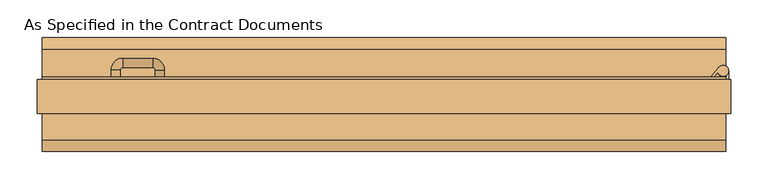
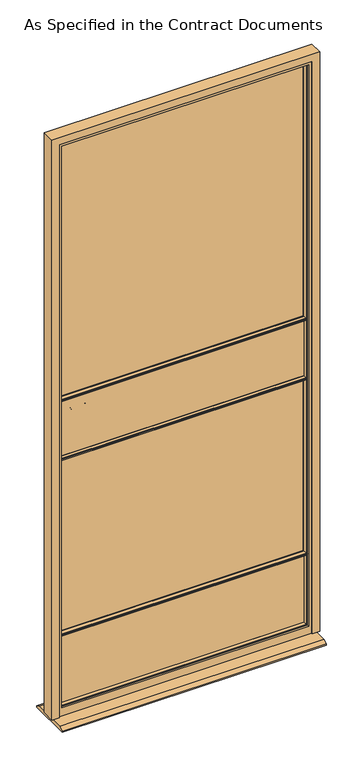
"""IFC4 building model written with IfcOpenShell, lengths in millimetres: door geometry, As Specified in the Contract Documents."""

from ifc_helpers import new_model, si_unit, point, frame, frame_2d, origin, place, context, project, spatial, polyline, circle_curve, ellipse_curve, trimmed, segment, composite_curve, outline, extrude, faceted_brep, source, transform, mapped, element, save
from ifc_brep_helpers import plane_surface, cylinder_surface, revolved_surface, advanced_brep


def as_specified_in_the_contract_documents_b9f10c93(model_context):
    return source(origin(), model_context, "Body", "SolidModel", [
        extrude(outline(composite_curve([segment(trimmed(circle_curve(frame_2d((433.9669375, 43.9744777)), 6.35), [point((440.3169375, 43.9744777))], [point((427.6169375, 43.9744777))], False, "CARTESIAN"), True, "CONTINUOUS"), segment(trimmed(circle_curve(frame_2d((433.9669375, 43.9744777)), 6.35), [point((427.6169375, 43.9744777))], [point((440.3169375, 43.9744777))], False, "CARTESIAN"), True, "CONTINUOUS")], self_intersect=False)), frame((0.0, 0.0, 1974.4305689), z_axis=(0.0, 0.0, 1.0), x_axis=(1.0, 0.0, 0.0)), (0.0, 0.0, 1.0), 1.6100561),
        extrude(outline(composite_curve([segment(polyline([(441.3749068, 32.5375), (438.1999068, 32.5375), (438.1999068, 37.8950057)]), True, "CONTINUOUS"), segment(trimmed(circle_curve(frame_2d((433.9669375, 43.9744777)), 7.4079693), [point((438.1999068, 37.8950057))], [point((441.3749068, 43.9744777))], False, "CARTESIAN"), True, "CONTINUOUS"), segment(polyline([(441.3749068, 43.9744777), (441.3749068, 32.5375)]), True, "CONTINUOUS")], self_intersect=False)), frame((0.0, 0.0, 1962.9211939), z_axis=(0.0, 0.0, 1.0), x_axis=(1.0, 0.0, 0.0)), (0.0, 0.0, 1.0), 11.509375),
        extrude(outline(composite_curve([segment(polyline([(417.7442445, 35.7125), (428.2098641, 48.6364639)]), True, "CONTINUOUS"), segment(trimmed(circle_curve(frame_2d((433.9669375, 43.9744777)), 7.4079693), [point((428.2098641, 48.6364639))], [point((426.8513668, 41.9137345))], False, "CARTESIAN"), True, "CONTINUOUS"), segment(polyline([(426.8513668, 41.9137345), (421.8297061, 35.7125), (417.7442445, 35.7125)]), True, "CONTINUOUS")], self_intersect=False)), frame((0.0, 0.0, 1976.040625), z_axis=(0.0, 0.0, 1.0), x_axis=(1.0, 0.0, 0.0)), (0.0, 0.0, 1.0), 11.509375),
        extrude(outline(composite_curve([segment(trimmed(circle_curve(frame_2d((433.9669375, 43.9744777)), 6.35), [point((440.3169375, 43.9744777))], [point((427.6169375, 43.9744777))], False, "CARTESIAN"), True, "CONTINUOUS"), segment(trimmed(circle_curve(frame_2d((433.9669375, 43.9744777)), 6.35), [point((427.6169375, 43.9744777))], [point((440.3169375, 43.9744777))], False, "CARTESIAN"), True, "CONTINUOUS")], self_intersect=False)), frame((0.0, 0.0, 1074.7375), z_axis=(0.0, 0.0, 1.0), x_axis=(1.0, 0.0, 0.0)), (0.0, 0.0, 1.0), 1.6100561),
        extrude(outline(composite_curve([segment(polyline([(441.3749068, 32.5375), (438.1999068, 32.5375), (438.1999068, 37.8950057)]), True, "CONTINUOUS"), segment(trimmed(circle_curve(frame_2d((433.9669375, 43.9744777)), 7.4079693), [point((438.1999068, 37.8950057))], [point((441.3749068, 43.9744777))], False, "CARTESIAN"), True, "CONTINUOUS"), segment(polyline([(441.3749068, 43.9744777), (441.3749068, 32.5375)]), True, "CONTINUOUS")], self_intersect=False)), frame((0.0, 0.0, 1063.228125), z_axis=(0.0, 0.0, 1.0), x_axis=(1.0, 0.0, 0.0)), (0.0, 0.0, 1.0), 11.509375),
        extrude(outline(composite_curve([segment(polyline([(417.7442445, 35.7125), (428.2098641, 48.6364639)]), True, "CONTINUOUS"), segment(trimmed(circle_curve(frame_2d((433.9669375, 43.9744777)), 7.4079693), [point((428.2098641, 48.6364639))], [point((426.8513668, 41.9137345))], False, "CARTESIAN"), True, "CONTINUOUS"), segment(polyline([(426.8513668, 41.9137345), (421.8297061, 35.7125), (417.7442445, 35.7125)]), True, "CONTINUOUS")], self_intersect=False)), frame((0.0, 0.0, 1076.3475561), z_axis=(0.0, 0.0, 1.0), x_axis=(1.0, 0.0, 0.0)), (0.0, 0.0, 1.0), 11.509375),
        extrude(outline(composite_curve([segment(trimmed(circle_curve(frame_2d((433.9669375, 43.9744777)), 6.35), [point((440.3169375, 43.9744777))], [point((427.6169375, 43.9744777))], False, "CARTESIAN"), True, "CONTINUOUS"), segment(trimmed(circle_curve(frame_2d((433.9669375, 43.9744777)), 6.35), [point((427.6169375, 43.9744777))], [point((440.3169375, 43.9744777))], False, "CARTESIAN"), True, "CONTINUOUS")], self_intersect=False)), frame((0.0, 0.0, 139.2805689), z_axis=(0.0, 0.0, 1.0), x_axis=(1.0, 0.0, 0.0)), (0.0, 0.0, 1.0), 1.6100561),
        extrude(outline(composite_curve([segment(polyline([(441.3749068, 32.5375), (438.1999068, 32.5375), (438.1999068, 37.8950057)]), True, "CONTINUOUS"), segment(trimmed(circle_curve(frame_2d((433.9669375, 43.9744777)), 7.4079693), [point((438.1999068, 37.8950057))], [point((441.3749068, 43.9744777))], False, "CARTESIAN"), True, "CONTINUOUS"), segment(polyline([(441.3749068, 43.9744777), (441.3749068, 32.5375)]), True, "CONTINUOUS")], self_intersect=False)), frame((0.0, 0.0, 127.7711939), z_axis=(0.0, 0.0, 1.0), x_axis=(1.0, 0.0, 0.0)), (0.0, 0.0, 1.0), 11.509375),
        extrude(outline(composite_curve([segment(polyline([(417.7442445, 35.7125), (428.2098641, 48.6364639)]), True, "CONTINUOUS"), segment(trimmed(circle_curve(frame_2d((433.9669375, 43.9744777)), 7.4079693), [point((428.2098641, 48.6364639))], [point((426.8513668, 41.9137345))], False, "CARTESIAN"), True, "CONTINUOUS"), segment(polyline([(426.8513668, 41.9137345), (421.8297061, 35.7125), (417.7442445, 35.7125)]), True, "CONTINUOUS")], self_intersect=False)), frame((0.0, 0.0, 140.890625), z_axis=(0.0, 0.0, 1.0), x_axis=(1.0, 0.0, 0.0)), (0.0, 0.0, 1.0), 11.509375),
        advanced_brep(
        [(-384.33375, 25.39375, 1089.025), (-372.14175, 25.39375, 1089.025), (-384.33375, 45.1961051, 1089.025), (-372.14175, 45.1961051, 1089.025), (-368.71275, 48.6251051, 1089.025), (-368.71275, 60.8171051, 1089.025), (-328.7559462, 60.8171051, 1089.025), (-328.7559462, 48.6251051, 1089.025), (-325.3269462, 45.1961051, 1089.025), (-313.1349462, 45.1961051, 1089.025), (-313.1349462, 29.4584167, 1089.025), (-325.3269462, 29.4584167, 1089.025)],
        [
            (0, 1, circle_curve(frame((-378.23775, 25.39375, 1089.025), z_axis=(0.0, -1.0, 0.0), x_axis=(1.0, 0.0, 0.0)), 6.096)),
            (1, 0, circle_curve(frame((-378.23775, 25.39375, 1089.025), z_axis=(0.0, -1.0, 0.0), x_axis=(1.0, 0.0, 0.0)), 6.096)),
            (0, 2),
            (2, 3, circle_curve(frame((-378.23775, 45.1961051, 1089.025), z_axis=(0.0, -1.0, 0.0), x_axis=(1.0, 0.0, 0.0)), 6.096)),
            (3, 1),
            (3, 2, circle_curve(frame((-378.23775, 45.1961051, 1089.025), z_axis=(0.0, -1.0, 0.0), x_axis=(1.0, 0.0, 0.0)), 6.096)),
            (4, 3, circle_curve(frame((-368.71275, 45.1961051, 1089.025), z_axis=(0.0, 0.0, 1.0), x_axis=(-1.0, 0.0, 0.0)), 3.429)),
            (2, 5, circle_curve(frame((-368.71275, 45.1961051, 1089.025), z_axis=(0.0, 0.0, -1.0), x_axis=(-1.0, 0.0, 0.0)), 15.621)),
            (5, 4, circle_curve(frame((-368.71275, 54.7211051, 1089.025), z_axis=(-1.0, 0.0, 0.0), x_axis=(0.0, -1.0, 0.0)), 6.096)),
            (4, 5, circle_curve(frame((-368.71275, 54.7211051, 1089.025), z_axis=(-1.0, 0.0, 0.0), x_axis=(0.0, -1.0, 0.0)), 6.096)),
            (5, 6),
            (6, 7, circle_curve(frame((-328.7559462, 54.7211051, 1089.025), z_axis=(-1.0, 0.0, 0.0), x_axis=(0.0, -1.0, 0.0)), 6.096)),
            (7, 4),
            (7, 6, circle_curve(frame((-328.7559462, 54.7211051, 1089.025), z_axis=(-1.0, 0.0, 0.0), x_axis=(0.0, -1.0, 0.0)), 6.096)),
            (8, 7, circle_curve(frame((-328.7559462, 45.1961051, 1089.025), z_axis=(0.0, 0.0, 1.0), x_axis=(0.0, 1.0, 0.0)), 3.429)),
            (6, 9, circle_curve(frame((-328.7559462, 45.1961051, 1089.025), z_axis=(0.0, 0.0, -1.0), x_axis=(0.0, 1.0, 0.0)), 15.621)),
            (9, 8, circle_curve(frame((-319.2309462, 45.1961051, 1089.025), z_axis=(0.0, 1.0, 0.0), x_axis=(-1.0, 0.0, 0.0)), 6.096)),
            (8, 9, circle_curve(frame((-319.2309462, 45.1961051, 1089.025), z_axis=(0.0, 1.0, 0.0), x_axis=(-1.0, 0.0, 0.0)), 6.096)),
            (10, 11, circle_curve(frame((-319.2309462, 29.4584167, 1089.025), z_axis=(0.0, -1.0, 0.0), x_axis=(-1.0, 0.0, 0.0)), 6.096)),
            (11, 10, circle_curve(frame((-319.2309462, 29.4584167, 1089.025), z_axis=(0.0, -1.0, 0.0), x_axis=(-1.0, 0.0, 0.0)), 6.096)),
            (9, 10),
            (11, 8),
        ],
        [
            plane_surface(frame((-378.23775, 25.39375, 1089.025), z_axis=(0.0, -1.0, 0.0), x_axis=(0.0, 0.0, -1.0))),
            cylinder_surface(frame((-378.23775, 25.39375, 1089.025), z_axis=(0.0, -1.0, 0.0), x_axis=(1.0, 0.0, 0.0)), 6.096),
            revolved_surface(trimmed(ellipse_curve(frame((-378.23775, 45.1961051, 1089.025), z_axis=(0.0, -1.0, 0.0), x_axis=(1.0, 0.0, 0.0)), 6.096, 6.096), [point((-384.33375, 45.1961051, 1089.025))], [point((-372.14175, 45.1961051, 1089.025))], True, "CARTESIAN"), (-368.71275, 45.1961051, 1089.025), (0.0, 0.0, -1.0)),
            revolved_surface(trimmed(ellipse_curve(frame((-378.23775, 45.1961051, 1089.025), z_axis=(0.0, -1.0, 0.0), x_axis=(1.0, 0.0, 0.0)), 6.096, 6.096), [point((-372.14175, 45.1961051, 1089.025))], [point((-384.33375, 45.1961051, 1089.025))], True, "CARTESIAN"), (-368.71275, 45.1961051, 1089.025), (0.0, 0.0, -1.0)),
            cylinder_surface(frame((-368.71275, 54.7211051, 1089.025), z_axis=(-1.0, 0.0, 0.0), x_axis=(0.0, -1.0, 0.0)), 6.096),
            revolved_surface(trimmed(ellipse_curve(frame((-328.7559462, 54.7211051, 1089.025), z_axis=(-1.0, 0.0, 0.0), x_axis=(0.0, -1.0, 0.0)), 6.096, 6.096), [point((-328.7559462, 60.8171051, 1089.025))], [point((-328.7559462, 48.6251051, 1089.025))], True, "CARTESIAN"), (-328.7559462, 45.1961051, 1089.025), (0.0, 0.0, -1.0)),
            revolved_surface(trimmed(ellipse_curve(frame((-328.7559462, 54.7211051, 1089.025), z_axis=(-1.0, 0.0, 0.0), x_axis=(0.0, -1.0, 0.0)), 6.096, 6.096), [point((-328.7559462, 48.6251051, 1089.025))], [point((-328.7559462, 60.8171051, 1089.025))], True, "CARTESIAN"), (-328.7559462, 45.1961051, 1089.025), (0.0, 0.0, -1.0)),
            plane_surface(frame((-319.2309462, 29.4584167, 1089.025), z_axis=(0.0, -1.0, 0.0), x_axis=(0.0, 0.0, -1.0))),
            cylinder_surface(frame((-319.2309462, 45.1961051, 1089.025), z_axis=(0.0, 1.0, 0.0), x_axis=(-1.0, 0.0, 0.0)), 6.096),
        ],
        [
            (0, [[1, 2]]),
            (1, [[-1, 3, 4, 5]]),
            (1, [[-2, -5, 6, -3]]),
            (2, [[7, -4, 8, 9]]),
            (3, [[-8, -6, -7, 10]]),
            (4, [[-9, 11, 12, 13]]),
            (4, [[-10, -13, 14, -11]]),
            (5, [[15, -12, 16, 17]]),
            (6, [[-16, -14, -15, 18]]),
            (7, [[19, 20]]),
            (8, [[-17, 21, -20, 22]]),
            (8, [[-18, -22, -19, -21]]),
        ],
    ),
        extrude(outline(composite_curve([segment(trimmed(circle_curve(frame_2d((1089.025, -378.23775)), 25.4), [point((1089.025, -352.83775))], [point((1089.025, -403.63775))], False, "CARTESIAN"), True, "CONTINUOUS"), segment(trimmed(circle_curve(frame_2d((1089.025, -378.23775)), 25.4), [point((1089.025, -403.63775))], [point((1089.025, -352.83775))], False, "CARTESIAN"), True, "CONTINUOUS")], self_intersect=False)), frame((0.0, 19.04375, 0.0), z_axis=(0.0, 1.0, 0.0), x_axis=(0.0, 0.0, 1.0)), (0.0, 0.0, 1.0), 6.35),
        extrude(outline(composite_curve([segment(trimmed(circle_curve(frame_2d((1021.6417023, -378.23775)), 19.05), [point((1021.6417023, -359.18775))], [point((1021.6417023, -397.28775))], False, "CARTESIAN"), True, "CONTINUOUS"), segment(trimmed(circle_curve(frame_2d((1021.6417023, -378.23775)), 19.05), [point((1021.6417023, -397.28775))], [point((1021.6417023, -359.18775))], False, "CARTESIAN"), True, "CONTINUOUS")], self_intersect=False)), frame((0.0, 19.04375, 0.0), z_axis=(0.0, 1.0, 0.0), x_axis=(0.0, 0.0, 1.0)), (0.0, 0.0, 1.0), 6.35),
        extrude(outline(polyline([(-1.920998, 946.5510581), (-1.920998, 948.2061382), (-4.6254064, 948.2061382), (-4.6254064, 952.0313618), (-1.920998, 952.0313618), (-1.920998, 953.6864419), (6.1287049, 957.2625), (19.2587951, 957.2625), (27.308498, 953.6864419), (27.308498, 952.0313618), (30.0129064, 952.0313618), (30.0129064, 948.2061382), (27.308498, 948.2061382), (27.308498, 946.5510581), (19.2587951, 942.975), (6.1287049, 942.975), (-1.920998, 946.5510581)])), frame((-446.50025, 0.0, 0.0), z_axis=(1.0, 0.0, 0.0), x_axis=(0.0, 1.0, 0.0)), (0.0, 0.0, 1.0), 854.075),
        extrude(outline(polyline([(-1.920998, 1164.0385581), (-1.920998, 1165.6936382), (-4.6254064, 1165.6936382), (-4.6254064, 1169.5188618), (-1.920998, 1169.5188618), (-1.920998, 1171.1739419), (6.1287049, 1174.75), (19.2587951, 1174.75), (27.308498, 1171.1739419), (27.308498, 1169.5188618), (30.0129064, 1169.5188618), (30.0129064, 1165.6936382), (27.308498, 1165.6936382), (27.308498, 1164.0385581), (19.2587951, 1160.4625), (6.1287049, 1160.4625), (-1.920998, 1164.0385581)])), frame((-446.50025, 0.0, 0.0), z_axis=(1.0, 0.0, 0.0), x_axis=(0.0, 1.0, 0.0)), (0.0, 0.0, 1.0), 854.075),
        extrude(outline(polyline([(-1.920998, 304.6057456), (-1.920998, 306.2608257), (-4.6254064, 306.2608257), (-4.6254064, 310.0860493), (-1.920998, 310.0860493), (-1.920998, 311.7411294), (6.1287049, 315.3171875), (19.2587951, 315.3171875), (27.308498, 311.7411294), (27.308498, 310.0860493), (30.0129064, 310.0860493), (30.0129064, 306.2608257), (27.308498, 306.2608257), (27.308498, 304.6057456), (19.2587951, 301.0296875), (6.1287049, 301.0296875), (-1.920998, 304.6057456)])), frame((-446.50025, 0.0, 0.0), z_axis=(1.0, 0.0, 0.0), x_axis=(0.0, 1.0, 0.0)), (0.0, 0.0, 1.0), 854.075),
        faceted_brep([(437.73725, 32.5375, 17.4625), (444.08725, 32.5375, 17.4625), (444.08725, -13.5, 17.4625), (418.68725, -13.5, 17.4625), (418.68725, -10.325, 17.4625), (437.73725, -10.325, 17.4625), (437.73725, 32.5375, 2133.6), (-476.66275, 32.5375, 2133.6), (-476.66275, 32.5375, 17.4625), (-483.01275, 32.5375, 17.4625), (-483.01275, 32.5375, 2139.95), (444.08725, 32.5375, 2139.95), (444.08725, -13.5, 2139.95), (-483.01275, -13.5, 2139.95), (-483.01275, -13.5, 17.4625), (-457.61275, -13.5, 17.4625), (-457.61275, -13.5, 2114.55), (418.68725, -13.5, 2114.55), (418.68725, -10.325, 2114.55), (-457.61275, -10.325, 2114.55), (-457.61275, -10.325, 17.4625), (-476.66275, -10.325, 17.4625), (-476.66275, -10.325, 2133.6), (437.73725, -10.325, 2133.6)], [[[0, 1, 2, 3, 4, 5]], [[1, 0, 6, 7, 8, 9, 10, 11]], [[2, 1, 11, 12]], [[3, 2, 12, 13, 14, 15, 16, 17]], [[4, 3, 17, 18]], [[5, 4, 18, 19, 20, 21, 22, 23]], [[0, 5, 23, 6]], [[12, 11, 10, 13]], [[18, 17, 16, 19]], [[6, 23, 22, 7]], [[8, 21, 20, 15, 14, 9]], [[13, 10, 9, 14]], [[19, 16, 15, 20]], [[7, 22, 21, 8]]]),
        extrude(outline(polyline([(407.57475, 6.34375), (-446.50025, 6.34375), (-446.50025, 19.04375), (407.57475, 19.04375), (407.57475, 6.34375)])), frame((0.0, 0.0, 47.625), z_axis=(0.0, 0.0, 1.0), x_axis=(1.0, 0.0, 0.0)), (0.0, 0.0, 1.0), 252.4125),
        extrude(outline(polyline([(407.57475, 6.34375), (-446.50025, 6.34375), (-446.50025, 19.04375), (407.57475, 19.04375), (407.57475, 6.34375)])), frame((0.0, 0.0, 957.2625), z_axis=(0.0, 0.0, 1.0), x_axis=(1.0, 0.0, 0.0)), (0.0, 0.0, 1.0), 203.2),
        extrude(outline(polyline([(88.89375, 4.826), (88.89375, 0.0), (-63.50625, 0.0), (-63.50625, 4.826), (-48.238334, 12.7), (73.625834, 12.7), (88.89375, 4.826)])), frame((-476.66275, 0.0, 0.0), z_axis=(1.0, 0.0, 0.0), x_axis=(0.0, 1.0, 0.0)), (0.0, 0.0, 1.0), 914.4),
        extrude(outline(polyline([(437.73725, 9.51875), (-476.66275, 9.51875), (-476.66275, 15.86875), (437.73725, 15.86875), (437.73725, 9.51875)])), frame((0.0, 0.0, 17.4625), z_axis=(0.0, 0.0, 1.0), x_axis=(1.0, 0.0, 0.0)), (0.0, 0.0, 1.0), 2116.1375),
        extrude(outline(polyline([(2133.6, -476.66275), (17.4625, -476.66275), (17.4625, 437.73725), (2133.6, 437.73725), (2133.6, -476.66275)]), holes=[polyline([(2103.4375, -446.50025), (2103.4375, 407.57475), (47.625, 407.57475), (47.625, -446.50025), (2103.4375, -446.50025)])]), frame((0.0, -10.325, 0.0), z_axis=(0.0, 1.0, 0.0), x_axis=(0.0, 0.0, 1.0)), (0.0, 0.0, 1.0), 46.0375),
        faceted_brep([(-444.5876382, -1.920998, 2101.5248882), (-444.5876382, -4.6254064, 2101.5248882), (-444.5876382, -4.6254064, 49.5376118), (-444.5876382, -1.920998, 49.5376118), (-439.3565, 6.1287049, 2096.29375), (-442.9325581, -1.920998, 2099.8698081), (-442.9325581, -1.920998, 51.1926919), (-439.3565, 6.1287049, 54.76875), (-439.3565, 19.2587951, 2096.29375), (-439.3565, 19.2587951, 54.76875), (-442.9325581, 27.308498, 2099.8698081), (-442.9325581, 27.308498, 51.1926919), (-444.5876382, 30.0129064, 2101.5248882), (-444.5876382, 27.308498, 2101.5248882), (-444.5876382, 27.308498, 49.5376118), (-444.5876382, 30.0129064, 49.5376118), (-446.50025, -4.6254064, 2103.4375), (-446.50025, 30.0129064, 2103.4375), (-446.50025, 30.0129064, 47.625), (-446.50025, -4.6254064, 47.625), (405.6621382, -4.6254064, 49.5376118), (405.6621382, -1.920998, 49.5376118), (404.0070581, -1.920998, 51.1926919), (400.431, 6.1287049, 54.76875), (400.431, 19.2587951, 54.76875), (404.0070581, 27.308498, 51.1926919), (405.6621382, 27.308498, 49.5376118), (405.6621382, 30.0129064, 49.5376118), (407.57475, 30.0129064, 47.625), (407.57475, -4.6254064, 47.625), (405.6621382, -4.6254064, 2101.5248882), (405.6621382, -1.920998, 2101.5248882), (404.0070581, -1.920998, 2099.8698081), (400.431, 6.1287049, 2096.29375), (400.431, 19.2587951, 2096.29375), (404.0070581, 27.308498, 2099.8698081), (405.6621382, 27.308498, 2101.5248882), (405.6621382, 30.0129064, 2101.5248882), (407.57475, 30.0129064, 2103.4375), (407.57475, -4.6254064, 2103.4375)], [[[0, 1, 2, 3]], [[4, 5, 6, 7]], [[8, 4, 7, 9]], [[10, 8, 9, 11]], [[12, 13, 14, 15]], [[16, 17, 18, 19]], [[3, 2, 20, 21]], [[7, 6, 22, 23]], [[9, 7, 23, 24]], [[11, 9, 24, 25]], [[15, 14, 26, 27]], [[19, 18, 28, 29]], [[21, 20, 30, 31]], [[23, 22, 32, 33]], [[24, 23, 33, 34]], [[25, 24, 34, 35]], [[27, 26, 36, 37]], [[29, 28, 38, 39]], [[31, 30, 1, 0]], [[3, 21, 31, 0], [5, 32, 22, 6]], [[33, 32, 5, 4]], [[34, 33, 4, 8]], [[35, 34, 8, 10]], [[13, 36, 26, 14], [11, 25, 35, 10]], [[37, 36, 13, 12]], [[17, 38, 28, 18], [15, 27, 37, 12]], [[39, 38, 17, 16]], [[19, 29, 39, 16], [1, 30, 20, 2]]]),
    ])


if __name__ == "__main__":
    model = new_model("IFC4")
    model_context = context("Model", 3, world=origin())
    ifc_project = project(units=[si_unit("LENGTHUNIT", "METRE", prefix="MILLI")], contexts=[model_context])
    site = spatial("IfcSite", under=ifc_project)
    building = spatial("IfcBuilding", under=site)
    placement = place(None, origin())
    as_specified_in_the_contract_documents_shape = as_specified_in_the_contract_documents_b9f10c93(model_context)
    element("IfcDoor", 1, ObjectType="As Specified in the Contract Documents", at=placement, inside=building, context=model_context, shape_type="MappedRepresentation", body=[
        mapped(as_specified_in_the_contract_documents_shape, transform((0.0, 0.0, 0.0), x_axis=(1.0, 0.0, 0.0), y_axis=(0.0, 1.0, 0.0), z_axis=(0.0, 0.0, 1.0))),
    ])
    save(model, "model.ifc")
